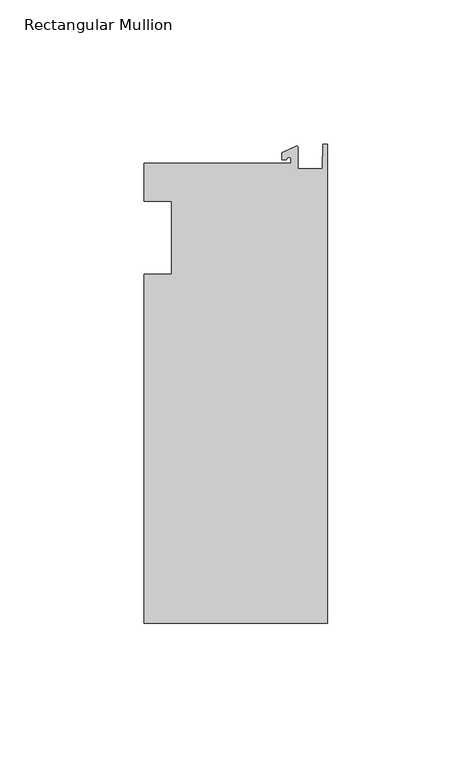
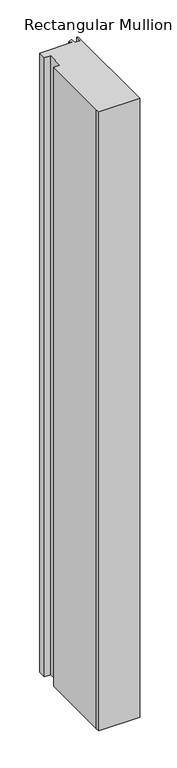
"""IFC4 building model written with IfcOpenShell, lengths in millimetres: member geometry, Rectangular Mullion."""

from ifc_helpers import new_model, si_unit, point, frame, frame_2d, origin, place, context, project, spatial, polyline, circle_curve, trimmed, segment, composite_curve, outline, extrude, source, transform, mapped, element, save


def rectangular_mullion_09cbec2e(model_context):
    return source(origin(), model_context, "Body", "SweptSolid", [
        extrude(outline(composite_curve([segment(polyline([(-12.6173814, 25.796875), (-12.6173814, 27.0827507)]), True, "CONTINUOUS"), segment(trimmed(circle_curve(frame_2d((-13.4111314, 27.0827507)), 0.79375), [point((-12.6173814, 27.0827507))], [point((-14.2048814, 27.0827507))], True, "CARTESIAN"), True, "CONTINUOUS"), segment(polyline([(-14.2048814, 27.0827507), (-15.7923814, 27.0827507), (-15.7923814, 29.44495), (-10.9524715, 31.7018371)]), True, "CONTINUOUS"), segment(trimmed(circle_curve(frame_2d((-10.7377814, 31.2414327)), 0.508), [point((-10.9524715, 31.7018371))], [point((-10.2297814, 31.2414327))], False, "CARTESIAN"), True, "CONTINUOUS"), segment(polyline([(-10.2297814, 31.2414327), (-10.2297814, 23.9227662), (-1.7144124, 23.9227662), (-1.5658966, 32.288874), (0.0, 32.288874), (0.0, -133.34365), (-63.5, -133.34365), (-63.5, -125.8114907), (-63.5, -12.7), (-53.975, -12.7), (-53.975, 12.7), (-63.5, 12.7), (-63.5, 25.796875), (-12.6173814, 25.796875)]), True, "CONTINUOUS")], self_intersect=False)), frame((0.0, 0.0, -1017.16492), z_axis=(0.0, 0.0, 1.0), x_axis=(1.0, 0.0, 0.0)), (0.0, 0.0, 1.0), 1017.16492),
    ])


if __name__ == "__main__":
    model = new_model("IFC4")
    model_context = context("Model", 3, world=origin())
    ifc_project = project(units=[si_unit("LENGTHUNIT", "METRE", prefix="MILLI")], contexts=[model_context])
    site = spatial("IfcSite", under=ifc_project)
    building = spatial("IfcBuilding", under=site)
    placement = place(None, origin())
    rectangular_mullion_shape = rectangular_mullion_09cbec2e(model_context)
    element("IfcMember", 1, ObjectType="Rectangular Mullion", at=placement, inside=building, context=model_context, shape_type="MappedRepresentation", body=[
        mapped(rectangular_mullion_shape, transform((0.0, 0.0, 0.0), x_axis=(1.0, 0.0, 0.0), y_axis=(0.0, 1.0, 0.0), z_axis=(0.0, 0.0, 1.0))),
    ])
    save(model, "model.ifc")
